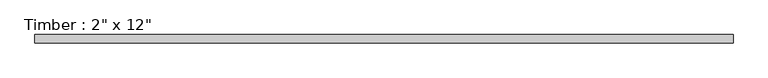
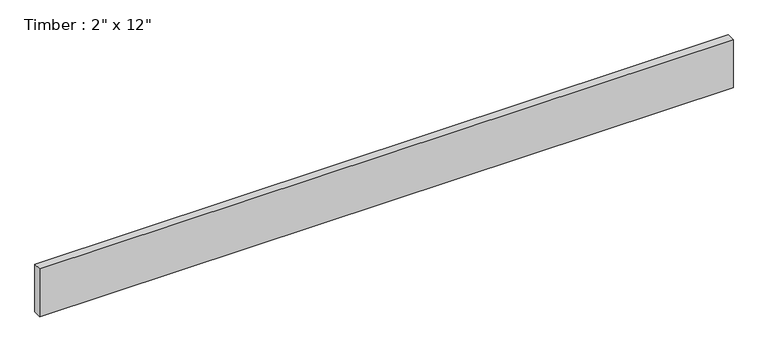
"""IFC4 building model written with IfcOpenShell, lengths in millimetres: beam geometry."""

from ifc_helpers import new_model, si_unit, frame, origin, place, context, project, spatial, polyline, outline, extrude, source, transform, mapped, element, save


def beam_ac785320(model_context):
    return source(origin(), model_context, "Body", "SweptSolid", [
        extrude(outline(polyline([(2075.4978567, 25.4), (2075.4978567, -25.4), (-2100.8978567, -25.4), (-2100.8978567, 25.4), (2075.4978567, 25.4)])), frame((0.0, 0.0, -152.4), z_axis=(0.0, 0.0, 1.0), x_axis=(1.0, 0.0, 0.0)), (0.0, 0.0, 1.0), 304.8),
    ])


if __name__ == "__main__":
    model = new_model("IFC4")
    model_context = context("Model", 3, world=origin())
    ifc_project = project(units=[si_unit("LENGTHUNIT", "METRE", prefix="MILLI")], contexts=[model_context])
    site = spatial("IfcSite", under=ifc_project)
    building = spatial("IfcBuilding", under=site)
    placement = place(None, origin())
    beam_shape = beam_ac785320(model_context)
    element("IfcBeam", 1, ObjectType="Timber : 2\" x 12\"", at=placement, inside=building, context=model_context, shape_type="MappedRepresentation", body=[
        mapped(beam_shape, transform((0.0, 0.0, 0.0), x_axis=(1.0, 0.0, 0.0), y_axis=(0.0, 1.0, 0.0), z_axis=(0.0, 0.0, 1.0))),
    ])
    save(model, "model.ifc")
